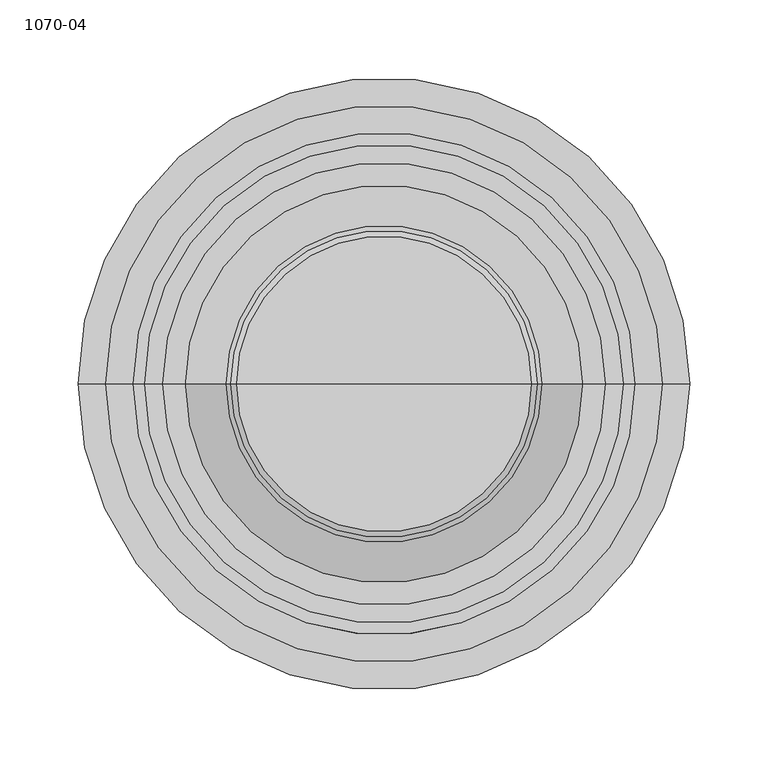
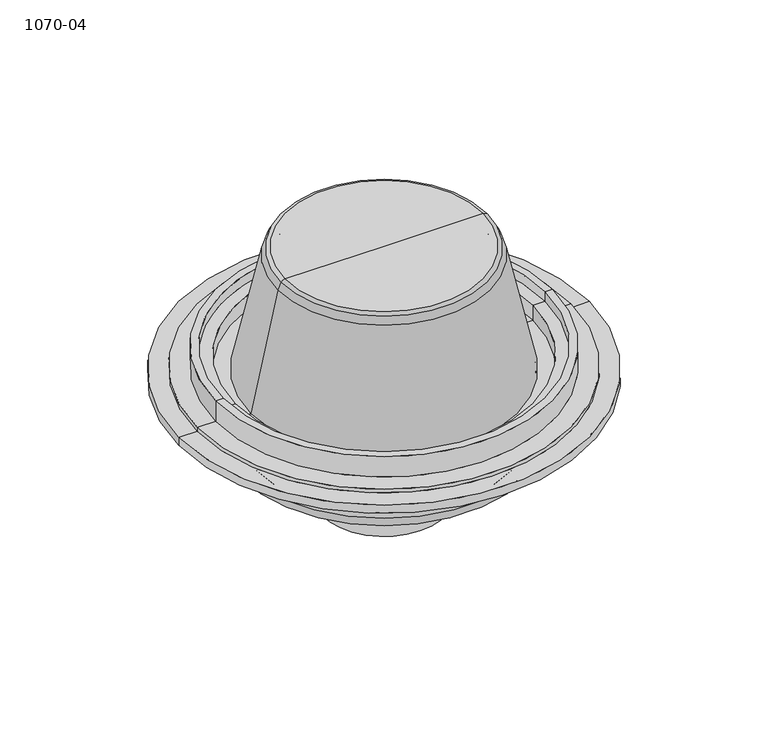
"""IFC4 building model written with IfcOpenShell, lengths in millimetres: flow terminal geometry, 1070-04."""

from ifc_helpers import new_model, si_unit, point, frame, origin, place, context, project, spatial, polyline, circle_curve, ellipse_curve, trimmed, source, transform, mapped, element, save
from ifc_brep_helpers import plane_surface, cylinder_surface, revolved_surface, advanced_brep


def flow_terminal_1070_04_8b8d475c(model_context):
    return source(origin(), model_context, "Body", "AdvancedBrep", [
        advanced_brep(
        [(-63.5, 0.0, -45.766311), (63.5, 0.0, -45.766311), (50.8, 0.0, -45.766311), (-50.8, 0.0, -45.766311), (-63.5, 0.0, 99.489939), (63.5, 0.0, 99.489939), (-50.8, 0.0, 99.489939), (50.8, 0.0, 99.489939)],
        [
            (0, 1, circle_curve(frame((0.0, 0.0, -45.766311), z_axis=(0.0, 0.0, -1.0), x_axis=(1.0, 0.0, 0.0)), 63.5)),
            (1, 2),
            (2, 3, circle_curve(frame((0.0, 0.0, -45.766311), z_axis=(0.0, 0.0, 1.0), x_axis=(1.0, 0.0, 0.0)), 50.8)),
            (3, 0),
            (1, 0, circle_curve(frame((0.0, 0.0, -45.766311), z_axis=(0.0, 0.0, -1.0), x_axis=(1.0, 0.0, 0.0)), 63.5)),
            (3, 2, circle_curve(frame((0.0, 0.0, -45.766311), z_axis=(0.0, 0.0, 1.0), x_axis=(1.0, 0.0, 0.0)), 50.8)),
            (4, 5, circle_curve(frame((0.0, 0.0, 99.489939), z_axis=(0.0, 0.0, -1.0), x_axis=(1.0, 0.0, 0.0)), 63.5)),
            (5, 1),
            (0, 4),
            (5, 4, circle_curve(frame((0.0, 0.0, 99.489939), z_axis=(0.0, 0.0, -1.0), x_axis=(1.0, 0.0, 0.0)), 63.5)),
            (6, 7, circle_curve(frame((0.0, 0.0, 99.489939), z_axis=(0.0, 0.0, -1.0), x_axis=(1.0, 0.0, 0.0)), 50.8)),
            (7, 5),
            (4, 6),
            (7, 6, circle_curve(frame((0.0, 0.0, 99.489939), z_axis=(0.0, 0.0, -1.0), x_axis=(1.0, 0.0, 0.0)), 50.8)),
            (2, 7),
            (6, 3),
        ],
        [
            plane_surface(frame((0.0, 0.0, -45.766311), z_axis=(0.0, 0.0, -1.0), x_axis=(1.0, 0.0, 0.0))),
            cylinder_surface(frame((0.0, 0.0, 232.839939), z_axis=(0.0, 0.0, 1.0), x_axis=(1.0, 0.0, 0.0)), 63.5),
            plane_surface(frame((0.0, 0.0, 99.489939), z_axis=(0.0, 0.0, 1.0), x_axis=(1.0, 0.0, 0.0))),
            revolved_surface(polyline([(50.8, 0.0, 99.48993900000002), (50.8, 0.0, -45.766311)]), (0.0, 0.0, 232.839939), (0.0, 0.0, 1.0)),
        ],
        [
            (0, [[1, 2, 3, 4]]),
            (0, [[5, -4, 6, -2]]),
            (1, [[7, 8, -1, 9]]),
            (1, [[10, -9, -5, -8]]),
            (2, [[11, 12, -7, 13]]),
            (2, [[14, -13, -10, -12]]),
            (3, [[-3, 15, -11, 16]]),
            (3, [[-6, -16, -14, -15]]),
        ],
    ),
        advanced_brep(
        [(-121.3454062, 0.0, 0.0), (121.3454062, 0.0, 0.0), (93.3479375, 0.0, 118.3749405), (-93.3479375, 0.0, 118.3749405), (-138.1184377, 0.0, 0.0), (138.1184377, 0.0, 0.0), (-138.1184377, 0.0, 4.5364863), (138.1184377, 0.0, 4.5364863), (-150.5227762, 0.0, 4.5364863), (150.5227762, 0.0, 4.5364863), (-150.5227762, 0.0, 8.2351562), (150.5227762, 0.0, 8.2351562), (-127.0213537, 0.0, 8.2351562), (127.0213537, 0.0, 8.2351562), (-101.1832922, 0.0, 123.5527626), (101.1832922, 0.0, 123.5527626), (-98.1099509, 0.0, 130.4578411), (98.1099509, 0.0, 130.4578411), (-94.4480963, 0.0, 132.3464439), (94.4480963, 0.0, 132.3464439), (0.0, 0.0, 132.3464439), (-80.9845635, 0.0, 128.170292), (80.9845635, 0.0, 128.170292), (0.0, 0.0, 128.170292)],
        [
            (0, 1, circle_curve(frame((0.0, 0.0, 0.0), z_axis=(0.0, 0.0, -1.0), x_axis=(1.0, 0.0, 0.0)), 121.3454062)),
            (1, 2),
            (2, 3, circle_curve(frame((0.0, 0.0, 118.3749405), z_axis=(0.0, 0.0, 1.0), x_axis=(1.0, 0.0, 0.0)), 93.3479375)),
            (3, 0),
            (1, 0, circle_curve(frame((0.0, 0.0, 0.0), z_axis=(0.0, 0.0, -1.0), x_axis=(1.0, 0.0, 0.0)), 121.3454062)),
            (3, 2, circle_curve(frame((0.0, 0.0, 118.3749405), z_axis=(0.0, 0.0, 1.0), x_axis=(1.0, 0.0, 0.0)), 93.3479375)),
            (4, 5, circle_curve(frame((0.0, 0.0, 0.0), z_axis=(0.0, 0.0, -1.0), x_axis=(1.0, 0.0, 0.0)), 138.1184377)),
            (5, 1),
            (0, 4),
            (5, 4, circle_curve(frame((0.0, 0.0, 0.0), z_axis=(0.0, 0.0, -1.0), x_axis=(1.0, 0.0, 0.0)), 138.1184377)),
            (6, 7, circle_curve(frame((0.0, 0.0, 4.5364863), z_axis=(0.0, 0.0, -1.0), x_axis=(1.0, 0.0, 0.0)), 138.1184377)),
            (7, 5),
            (4, 6),
            (7, 6, circle_curve(frame((0.0, 0.0, 4.5364863), z_axis=(0.0, 0.0, -1.0), x_axis=(1.0, 0.0, 0.0)), 138.1184377)),
            (8, 9, circle_curve(frame((0.0, 0.0, 4.5364863), z_axis=(0.0, 0.0, -1.0), x_axis=(1.0, 0.0, 0.0)), 150.5227762)),
            (9, 7),
            (6, 8),
            (9, 8, circle_curve(frame((0.0, 0.0, 4.5364863), z_axis=(0.0, 0.0, -1.0), x_axis=(1.0, 0.0, 0.0)), 150.5227762)),
            (10, 11, circle_curve(frame((0.0, 0.0, 8.2351562), z_axis=(0.0, 0.0, -1.0), x_axis=(1.0, 0.0, 0.0)), 150.5227762)),
            (11, 9),
            (8, 10),
            (11, 10, circle_curve(frame((0.0, 0.0, 8.2351562), z_axis=(0.0, 0.0, -1.0), x_axis=(1.0, 0.0, 0.0)), 150.5227762)),
            (12, 13, circle_curve(frame((0.0, 0.0, 8.2351562), z_axis=(0.0, 0.0, -1.0), x_axis=(1.0, 0.0, 0.0)), 127.0213537)),
            (13, 11),
            (10, 12),
            (13, 12, circle_curve(frame((0.0, 0.0, 8.2351562), z_axis=(0.0, 0.0, -1.0), x_axis=(1.0, 0.0, 0.0)), 127.0213537)),
            (14, 15, circle_curve(frame((0.0, 0.0, 123.5527626), z_axis=(0.0, 0.0, -1.0), x_axis=(1.0, 0.0, 0.0)), 101.1832922)),
            (15, 13),
            (12, 14),
            (15, 14, circle_curve(frame((0.0, 0.0, 123.5527626), z_axis=(0.0, 0.0, -1.0), x_axis=(1.0, 0.0, 0.0)), 101.1832922)),
            (16, 17, circle_curve(frame((0.0, 0.0, 130.4578411), z_axis=(0.0, 0.0, -1.0), x_axis=(1.0, 0.0, 0.0)), 98.1099509)),
            (17, 15, circle_curve(frame((82.5885347, 0.0, 119.4130169), z_axis=(0.0, 1.0, 0.0), x_axis=(1.0, 0.0, 0.0)), 19.05)),
            (14, 16, circle_curve(frame((-82.5885347, 0.0, 119.4130169), z_axis=(0.0, 1.0, 0.0), x_axis=(-1.0, 0.0, 0.0)), 19.05)),
            (17, 16, circle_curve(frame((0.0, 0.0, 130.4578411), z_axis=(0.0, 0.0, -1.0), x_axis=(1.0, 0.0, 0.0)), 98.1099509)),
            (18, 19, circle_curve(frame((0.0, 0.0, 132.3464439), z_axis=(0.0, 0.0, -1.0), x_axis=(1.0, 0.0, 0.0)), 94.4480963)),
            (19, 17, circle_curve(frame((94.4480963, 0.0, 127.8521162), z_axis=(0.0, 1.0, 0.0), x_axis=(1.0, 0.0, 0.0)), 4.4943277)),
            (16, 18, circle_curve(frame((-94.4480963, 0.0, 127.8521162), z_axis=(0.0, 1.0, 0.0), x_axis=(-1.0, 0.0, 0.0)), 4.4943277)),
            (19, 18, circle_curve(frame((0.0, 0.0, 132.3464439), z_axis=(0.0, 0.0, -1.0), x_axis=(1.0, 0.0, 0.0)), 94.4480963)),
            (20, 19),
            (18, 20),
            (21, 22, circle_curve(frame((0.0, 0.0, 128.170292), z_axis=(0.0, 0.0, -1.0), x_axis=(1.0, 0.0, 0.0)), 80.9845635)),
            (22, 23),
            (23, 21),
            (22, 21, circle_curve(frame((0.0, 0.0, 128.170292), z_axis=(0.0, 0.0, -1.0), x_axis=(1.0, 0.0, 0.0)), 80.9845635)),
            (2, 22, circle_curve(frame((80.9845635, 0.0, 115.470292), z_axis=(0.0, -1.0, 0.0), x_axis=(1.0, 0.0, 0.0)), 12.7)),
            (21, 3, circle_curve(frame((-80.9845635, 0.0, 115.470292), z_axis=(0.0, -1.0, 0.0), x_axis=(-1.0, 0.0, 0.0)), 12.7)),
        ],
        [
            revolved_surface(polyline([(93.3479375, 0.0, 118.3749405), (121.3454062, 0.0, 0.0)]), (0.0, 0.0, 140.7914062), (0.0, 0.0, 1.0)),
            plane_surface(frame((0.0, 0.0, 0.0), z_axis=(0.0, 0.0, -1.0), x_axis=(1.0, 0.0, 0.0))),
            cylinder_surface(frame((0.0, 0.0, 140.7914062), z_axis=(0.0, 0.0, 1.0), x_axis=(1.0, 0.0, 0.0)), 138.1184377),
            plane_surface(frame((0.0, 0.0, 4.5364863), z_axis=(0.0, 0.0, -1.0), x_axis=(1.0, 0.0, 0.0))),
            cylinder_surface(frame((0.0, 0.0, 140.7914062), z_axis=(0.0, 0.0, 1.0), x_axis=(1.0, 0.0, 0.0)), 150.5227762),
            plane_surface(frame((0.0, 0.0, 8.2351562), z_axis=(0.0, 0.0, 1.0), x_axis=(1.0, 0.0, 0.0))),
            revolved_surface(polyline([(127.0213537, 0.0, 8.2351562), (101.1832922, 0.0, 123.5527626)]), (0.0, 0.0, 140.7914062), (0.0, 0.0, 1.0)),
            revolved_surface(trimmed(ellipse_curve(frame((82.5885347, 0.0, 119.4130169), z_axis=(0.0, -1.0, 0.0), x_axis=(1.0, 0.0, 0.0)), 19.05, 19.05), [point((101.1832922, 0.0, 123.5527626))], [point((98.1099509, 0.0, 130.4578411))], True, "CARTESIAN"), (0.0, 0.0, 140.7914062), (0.0, 0.0, 1.0)),
            revolved_surface(trimmed(ellipse_curve(frame((94.4480963, 0.0, 127.8521162), z_axis=(0.0, -1.0, 0.0), x_axis=(1.0, 0.0, 0.0)), 4.4943277, 4.4943277), [point((98.1099509, 0.0, 130.4578411))], [point((94.4480963, 0.0, 132.3464439))], True, "CARTESIAN"), (0.0, 0.0, 140.7914062), (0.0, 0.0, 1.0)),
            plane_surface(frame((0.0, 0.0, 132.3464439), z_axis=(0.0, 0.0, 1.0), x_axis=(1.0, 0.0, 0.0))),
            plane_surface(frame((0.0, 0.0, 128.170292), z_axis=(0.0, 0.0, -1.0), x_axis=(1.0, 0.0, 0.0))),
            revolved_surface(trimmed(ellipse_curve(frame((80.9845635, 0.0, 115.470292), z_axis=(0.0, 1.0, 0.0), x_axis=(1.0, 0.0, 0.0)), 12.7, 12.7), [point((80.9845635, 0.0, 128.170292))], [point((93.3479375, 0.0, 118.3749405))], True, "CARTESIAN"), (0.0, 0.0, 140.7914062), (0.0, 0.0, 1.0)),
        ],
        [
            (0, [[1, 2, 3, 4]]),
            (0, [[5, -4, 6, -2]]),
            (1, [[7, 8, -1, 9]]),
            (1, [[10, -9, -5, -8]]),
            (2, [[11, 12, -7, 13]]),
            (2, [[14, -13, -10, -12]]),
            (3, [[15, 16, -11, 17]]),
            (3, [[18, -17, -14, -16]]),
            (4, [[19, 20, -15, 21]]),
            (4, [[22, -21, -18, -20]]),
            (5, [[23, 24, -19, 25]]),
            (5, [[26, -25, -22, -24]]),
            (6, [[27, 28, -23, 29]]),
            (6, [[30, -29, -26, -28]]),
            (7, [[31, 32, -27, 33]]),
            (7, [[34, -33, -30, -32]]),
            (8, [[35, 36, -31, 37]]),
            (8, [[38, -37, -34, -36]]),
            (9, [[39, -35, 40]]),
            (9, [[-40, -38, -39]]),
            (10, [[41, 42, 43]]),
            (10, [[44, -43, -42]]),
            (11, [[-3, 45, -41, 46]]),
            (11, [[-6, -46, -44, -45]]),
        ],
    ),
        advanced_brep(
        [(50.8, 0.0, -118.7648438), (-50.8, 0.0, -118.7648438), (-58.8614576, 0.0, -118.7648438), (58.8614576, 0.0, -118.7648438), (50.8, 0.0, -62.2461254), (-50.8, 0.0, -62.2461254), (103.5225847, 0.0, -62.2461254), (-103.5225847, 0.0, -62.2461254), (109.4978559, 0.0, -58.0683049), (-109.4978559, 0.0, -58.0683049), (115.7776841, 0.0, -52.6348919), (-115.7776841, 0.0, -52.6348919), (117.3970384, 0.0, -52.6348919), (-117.3970384, 0.0, -52.6348919), (123.1699178, 0.0, -47.0095068), (-123.1699178, 0.0, -47.0095068), (125.2576915, 0.0, -47.0095068), (-125.2576915, 0.0, -47.0095068), (125.2652915, 0.0, 8.2351562), (-125.2652915, 0.0, 8.2351562), (141.544819, 0.0, 8.2351562), (-141.544819, 0.0, 8.2351562), (141.544819, 0.0, 23.1345934), (-141.544819, 0.0, 23.1345934), (153.1241481, 0.0, 23.1345934), (-153.1241481, 0.0, 23.1345934), (153.1241481, 0.0, 32.5946338), (-153.1241481, 0.0, 32.5946338), (160.2516349, 0.0, 32.5946338), (-160.2516349, 0.0, 32.5946338), (160.2516349, 0.0, 12.0091598), (-160.2516349, 0.0, 12.0091598), (177.8266736, 0.0, 12.0091598), (-177.8266736, 0.0, 12.0091598), (177.8266736, 0.0, 8.2351562), (-177.8266736, 0.0, 8.2351562), (195.2617977, 0.0, 8.2351562), (-195.2617977, 0.0, 8.2351562), (195.2617977, 0.0, 0.0009667), (-195.2617977, 0.0, 0.0009667), (145.6987606, 0.0, -16.9668144), (-145.6987606, 0.0, -16.9668144), (141.805424, 0.0, -42.3657216), (-141.805424, 0.0, -42.3657216), (122.2863709, 0.0, -59.1207355), (-122.2863709, 0.0, -59.1207355), (118.0610739, 0.0, -59.1207355), (-118.0610739, 0.0, -59.1207355), (114.1167438, 0.0, -63.0650656), (-114.1167438, 0.0, -63.0650656), (114.1167438, 0.0, -64.3711218), (-114.1167438, 0.0, -64.3711218), (107.7667438, 0.0, -70.7211218), (-107.7667438, 0.0, -70.7211218), (58.8614576, 0.0, -70.7211218), (-58.8614576, 0.0, -70.7211218)],
        [
            (0, 1, circle_curve(frame((0.0, 0.0, -118.7648438), z_axis=(0.0, 0.0, 1.0), x_axis=(-1.0, 0.0, 0.0)), 50.8)),
            (1, 2),
            (2, 3, circle_curve(frame((0.0, 0.0, -118.7648438), z_axis=(0.0, 0.0, -1.0), x_axis=(-1.0, 0.0, 0.0)), 58.8614576)),
            (3, 0),
            (1, 0, circle_curve(frame((0.0, 0.0, -118.7648438), z_axis=(0.0, 0.0, 1.0), x_axis=(-1.0, 0.0, 0.0)), 50.8)),
            (3, 2, circle_curve(frame((0.0, 0.0, -118.7648438), z_axis=(0.0, 0.0, -1.0), x_axis=(-1.0, 0.0, 0.0)), 58.8614576)),
            (4, 5, circle_curve(frame((0.0, 0.0, -62.2461254), z_axis=(0.0, 0.0, 1.0), x_axis=(-1.0, 0.0, 0.0)), 50.8)),
            (5, 1),
            (0, 4),
            (5, 4, circle_curve(frame((0.0, 0.0, -62.2461254), z_axis=(0.0, 0.0, 1.0), x_axis=(-1.0, 0.0, 0.0)), 50.8)),
            (6, 7, circle_curve(frame((0.0, 0.0, -62.2461254), z_axis=(0.0, 0.0, 1.0), x_axis=(-1.0, 0.0, 0.0)), 103.5225847)),
            (7, 5),
            (4, 6),
            (7, 6, circle_curve(frame((0.0, 0.0, -62.2461254), z_axis=(0.0, 0.0, 1.0), x_axis=(-1.0, 0.0, 0.0)), 103.5225847)),
            (8, 9, circle_curve(frame((0.0, 0.0, -58.0683049), z_axis=(0.0, 0.0, 1.0), x_axis=(-1.0, 0.0, 0.0)), 109.4978559)),
            (9, 7, circle_curve(frame((-104.0321184, 0.0, -56.6129435), z_axis=(0.0, -1.0, 0.0), x_axis=(1.0, 0.0, 0.0)), 5.6561792)),
            (6, 8, circle_curve(frame((104.0321184, 0.0, -56.6129435), z_axis=(0.0, -1.0, 0.0), x_axis=(-1.0, 0.0, 0.0)), 5.6561792)),
            (9, 8, circle_curve(frame((0.0, 0.0, -58.0683049), z_axis=(0.0, 0.0, 1.0), x_axis=(-1.0, 0.0, 0.0)), 109.4978559)),
            (10, 11, circle_curve(frame((0.0, 0.0, -52.6348919), z_axis=(0.0, 0.0, 1.0), x_axis=(-1.0, 0.0, 0.0)), 115.7776841)),
            (11, 9, circle_curve(frame((-115.4369739, 0.0, -58.5868614), z_axis=(0.0, 1.0, 0.0), x_axis=(1.0, 0.0, 0.0)), 5.9617131)),
            (8, 10, circle_curve(frame((115.4369739, 0.0, -58.5868614), z_axis=(0.0, 1.0, 0.0), x_axis=(-1.0, 0.0, 0.0)), 5.9617131)),
            (11, 10, circle_curve(frame((0.0, 0.0, -52.6348919), z_axis=(0.0, 0.0, 1.0), x_axis=(-1.0, 0.0, 0.0)), 115.7776841)),
            (12, 13, circle_curve(frame((0.0, 0.0, -52.6348919), z_axis=(0.0, 0.0, 1.0), x_axis=(-1.0, 0.0, 0.0)), 117.3970384)),
            (13, 11),
            (10, 12),
            (13, 12, circle_curve(frame((0.0, 0.0, -52.6348919), z_axis=(0.0, 0.0, 1.0), x_axis=(-1.0, 0.0, 0.0)), 117.3970384)),
            (14, 15, circle_curve(frame((0.0, 0.0, -47.0095068), z_axis=(0.0, 0.0, 1.0), x_axis=(-1.0, 0.0, 0.0)), 123.1699178)),
            (15, 13, circle_curve(frame((-117.3970384, 0.0, -46.8600789), z_axis=(0.0, -1.0, 0.0), x_axis=(1.0, 0.0, 0.0)), 5.774813)),
            (12, 14, circle_curve(frame((117.3970384, 0.0, -46.8600789), z_axis=(0.0, -1.0, 0.0), x_axis=(-1.0, 0.0, 0.0)), 5.774813)),
            (15, 14, circle_curve(frame((0.0, 0.0, -47.0095068), z_axis=(0.0, 0.0, 1.0), x_axis=(-1.0, 0.0, 0.0)), 123.1699178)),
            (16, 17, circle_curve(frame((0.0, 0.0, -47.0095068), z_axis=(0.0, 0.0, 1.0), x_axis=(-1.0, 0.0, 0.0)), 125.2576915)),
            (17, 15),
            (14, 16),
            (17, 16, circle_curve(frame((0.0, 0.0, -47.0095068), z_axis=(0.0, 0.0, 1.0), x_axis=(-1.0, 0.0, 0.0)), 125.2576915)),
            (18, 19, circle_curve(frame((0.0, 0.0, 8.2351562), z_axis=(0.0, 0.0, 1.0), x_axis=(-1.0, 0.0, 0.0)), 125.2652915)),
            (19, 17),
            (16, 18),
            (19, 18, circle_curve(frame((0.0, 0.0, 8.2351562), z_axis=(0.0, 0.0, 1.0), x_axis=(-1.0, 0.0, 0.0)), 125.2652915)),
            (20, 21, circle_curve(frame((0.0, 0.0, 8.2351562), z_axis=(0.0, 0.0, 1.0), x_axis=(-1.0, 0.0, 0.0)), 141.544819)),
            (21, 19),
            (18, 20),
            (21, 20, circle_curve(frame((0.0, 0.0, 8.2351562), z_axis=(0.0, 0.0, 1.0), x_axis=(-1.0, 0.0, 0.0)), 141.544819)),
            (22, 23, circle_curve(frame((0.0, 0.0, 23.1345934), z_axis=(0.0, 0.0, 1.0), x_axis=(-1.0, 0.0, 0.0)), 141.544819)),
            (23, 21),
            (20, 22),
            (23, 22, circle_curve(frame((0.0, 0.0, 23.1345934), z_axis=(0.0, 0.0, 1.0), x_axis=(-1.0, 0.0, 0.0)), 141.544819)),
            (24, 25, circle_curve(frame((0.0, 0.0, 23.1345934), z_axis=(0.0, 0.0, 1.0), x_axis=(-1.0, 0.0, 0.0)), 153.1241481)),
            (25, 23),
            (22, 24),
            (25, 24, circle_curve(frame((0.0, 0.0, 23.1345934), z_axis=(0.0, 0.0, 1.0), x_axis=(-1.0, 0.0, 0.0)), 153.1241481)),
            (26, 27, circle_curve(frame((0.0, 0.0, 32.5946338), z_axis=(0.0, 0.0, 1.0), x_axis=(-1.0, 0.0, 0.0)), 153.1241481)),
            (27, 25),
            (24, 26),
            (27, 26, circle_curve(frame((0.0, 0.0, 32.5946338), z_axis=(0.0, 0.0, 1.0), x_axis=(-1.0, 0.0, 0.0)), 153.1241481)),
            (28, 29, circle_curve(frame((0.0, 0.0, 32.5946338), z_axis=(0.0, 0.0, 1.0), x_axis=(-1.0, 0.0, 0.0)), 160.2516349)),
            (29, 27),
            (26, 28),
            (29, 28, circle_curve(frame((0.0, 0.0, 32.5946338), z_axis=(0.0, 0.0, 1.0), x_axis=(-1.0, 0.0, 0.0)), 160.2516349)),
            (30, 31, circle_curve(frame((0.0, 0.0, 12.0091598), z_axis=(0.0, 0.0, 1.0), x_axis=(-1.0, 0.0, 0.0)), 160.2516349)),
            (31, 29),
            (28, 30),
            (31, 30, circle_curve(frame((0.0, 0.0, 12.0091598), z_axis=(0.0, 0.0, 1.0), x_axis=(-1.0, 0.0, 0.0)), 160.2516349)),
            (32, 33, circle_curve(frame((0.0, 0.0, 12.0091598), z_axis=(0.0, 0.0, 1.0), x_axis=(-1.0, 0.0, 0.0)), 177.8266736)),
            (33, 31),
            (30, 32),
            (33, 32, circle_curve(frame((0.0, 0.0, 12.0091598), z_axis=(0.0, 0.0, 1.0), x_axis=(-1.0, 0.0, 0.0)), 177.8266736)),
            (34, 35, circle_curve(frame((0.0, 0.0, 8.2351562), z_axis=(0.0, 0.0, 1.0), x_axis=(-1.0, 0.0, 0.0)), 177.8266736)),
            (35, 33),
            (32, 34),
            (35, 34, circle_curve(frame((0.0, 0.0, 8.2351562), z_axis=(0.0, 0.0, 1.0), x_axis=(-1.0, 0.0, 0.0)), 177.8266736)),
            (36, 37, circle_curve(frame((0.0, 0.0, 8.2351562), z_axis=(0.0, 0.0, 1.0), x_axis=(-1.0, 0.0, 0.0)), 195.2617977)),
            (37, 35),
            (34, 36),
            (37, 36, circle_curve(frame((0.0, 0.0, 8.2351562), z_axis=(0.0, 0.0, 1.0), x_axis=(-1.0, 0.0, 0.0)), 195.2617977)),
            (38, 39, circle_curve(frame((0.0, 0.0, 0.0009667), z_axis=(0.0, 0.0, 1.0), x_axis=(-1.0, 0.0, 0.0)), 195.2617977)),
            (39, 37),
            (36, 38),
            (39, 38, circle_curve(frame((0.0, 0.0, 0.0009667), z_axis=(0.0, 0.0, 1.0), x_axis=(-1.0, 0.0, 0.0)), 195.2617977)),
            (40, 41, circle_curve(frame((0.0, 0.0, -16.9668144), z_axis=(0.0, 0.0, 1.0), x_axis=(-1.0, 0.0, 0.0)), 145.6987606)),
            (41, 39),
            (38, 40),
            (41, 40, circle_curve(frame((0.0, 0.0, -16.9668144), z_axis=(0.0, 0.0, 1.0), x_axis=(-1.0, 0.0, 0.0)), 145.6987606)),
            (42, 43, circle_curve(frame((0.0, 0.0, -42.3657216), z_axis=(0.0, 0.0, 1.0), x_axis=(-1.0, 0.0, 0.0)), 141.805424)),
            (43, 41),
            (40, 42),
            (43, 42, circle_curve(frame((0.0, 0.0, -42.3657216), z_axis=(0.0, 0.0, 1.0), x_axis=(-1.0, 0.0, 0.0)), 141.805424)),
            (44, 45, circle_curve(frame((0.0, 0.0, -59.1207355), z_axis=(0.0, 0.0, 1.0), x_axis=(-1.0, 0.0, 0.0)), 122.2863709)),
            (45, 43, circle_curve(frame((-122.2863709, 0.0, -39.3736936), z_axis=(0.0, 1.0, 0.0), x_axis=(1.0, 0.0, 0.0)), 19.7470419)),
            (42, 44, circle_curve(frame((122.2863709, 0.0, -39.3736936), z_axis=(0.0, 1.0, 0.0), x_axis=(-1.0, 0.0, 0.0)), 19.7470419)),
            (45, 44, circle_curve(frame((0.0, 0.0, -59.1207355), z_axis=(0.0, 0.0, 1.0), x_axis=(-1.0, 0.0, 0.0)), 122.2863709)),
            (46, 47, circle_curve(frame((0.0, 0.0, -59.1207355), z_axis=(0.0, 0.0, 1.0), x_axis=(-1.0, 0.0, 0.0)), 118.0610739)),
            (47, 45),
            (44, 46),
            (47, 46, circle_curve(frame((0.0, 0.0, -59.1207355), z_axis=(0.0, 0.0, 1.0), x_axis=(-1.0, 0.0, 0.0)), 118.0610739)),
            (48, 49, circle_curve(frame((0.0, 0.0, -63.0650656), z_axis=(0.0, 0.0, 1.0), x_axis=(-1.0, 0.0, 0.0)), 114.1167438)),
            (49, 47, circle_curve(frame((-118.0610739, 0.0, -63.0650656), z_axis=(0.0, -1.0, 0.0), x_axis=(1.0, 0.0, 0.0)), 3.9443301)),
            (46, 48, circle_curve(frame((118.0610739, 0.0, -63.0650656), z_axis=(0.0, -1.0, 0.0), x_axis=(-1.0, 0.0, 0.0)), 3.9443301)),
            (49, 48, circle_curve(frame((0.0, 0.0, -63.0650656), z_axis=(0.0, 0.0, 1.0), x_axis=(-1.0, 0.0, 0.0)), 114.1167438)),
            (50, 51, circle_curve(frame((0.0, 0.0, -64.3711218), z_axis=(0.0, 0.0, 1.0), x_axis=(-1.0, 0.0, 0.0)), 114.1167438)),
            (51, 49),
            (48, 50),
            (51, 50, circle_curve(frame((0.0, 0.0, -64.3711218), z_axis=(0.0, 0.0, 1.0), x_axis=(-1.0, 0.0, 0.0)), 114.1167438)),
            (52, 53, circle_curve(frame((0.0, 0.0, -70.7211218), z_axis=(0.0, 0.0, 1.0), x_axis=(-1.0, 0.0, 0.0)), 107.7667438)),
            (53, 51, circle_curve(frame((-107.7667438, 0.0, -64.3711218), z_axis=(0.0, 1.0, 0.0), x_axis=(1.0, 0.0, 0.0)), 6.35)),
            (50, 52, circle_curve(frame((107.7667438, 0.0, -64.3711218), z_axis=(0.0, 1.0, 0.0), x_axis=(-1.0, 0.0, 0.0)), 6.35)),
            (53, 52, circle_curve(frame((0.0, 0.0, -70.7211218), z_axis=(0.0, 0.0, 1.0), x_axis=(-1.0, 0.0, 0.0)), 107.7667438)),
            (54, 55, circle_curve(frame((0.0, 0.0, -70.7211218), z_axis=(0.0, 0.0, 1.0), x_axis=(-1.0, 0.0, 0.0)), 58.8614576)),
            (55, 53),
            (52, 54),
            (55, 54, circle_curve(frame((0.0, 0.0, -70.7211218), z_axis=(0.0, 0.0, 1.0), x_axis=(-1.0, 0.0, 0.0)), 58.8614576)),
            (2, 55),
            (54, 3),
        ],
        [
            plane_surface(frame((0.0, 0.0, -118.7648438), z_axis=(0.0, 0.0, -1.0), x_axis=(-1.0, 0.0, 0.0))),
            revolved_surface(polyline([(-50.8, 0.0, -118.76484380000011), (-50.8, 0.0, -62.24612539999998)]), (0.0, 0.0, -1283.4378164), (0.0, 0.0, -1.0)),
            plane_surface(frame((0.0, 0.0, -62.2461254), z_axis=(0.0, 0.0, 1.0), x_axis=(-1.0, 0.0, 0.0))),
            revolved_surface(trimmed(ellipse_curve(frame((-104.0321184, 0.0, -56.6129435), z_axis=(0.0, 1.0, 0.0), x_axis=(1.0, 0.0, 0.0)), 5.6561792, 5.6561792), [point((-103.5225847, 0.0, -62.2461254))], [point((-109.4978559, 0.0, -58.0683049))], True, "CARTESIAN"), (0.0, 0.0, -1283.4378164), (0.0, 0.0, -1.0)),
            revolved_surface(trimmed(ellipse_curve(frame((-115.4369739, 0.0, -58.5868614), z_axis=(0.0, -1.0, 0.0), x_axis=(1.0, 0.0, 0.0)), 5.9617131, 5.9617131), [point((-109.4978559, 0.0, -58.0683049))], [point((-115.7776841, 0.0, -52.6348919))], True, "CARTESIAN"), (0.0, 0.0, -1283.4378164), (0.0, 0.0, -1.0)),
            plane_surface(frame((0.0, 0.0, -52.6348919), z_axis=(0.0, 0.0, 1.0), x_axis=(-1.0, 0.0, 0.0))),
            revolved_surface(trimmed(ellipse_curve(frame((-117.3970384, 0.0, -46.8600789), z_axis=(0.0, 1.0, 0.0), x_axis=(1.0, 0.0, 0.0)), 5.774813, 5.774813), [point((-117.3970384, 0.0, -52.6348919))], [point((-123.1699178, 0.0, -47.0095068))], True, "CARTESIAN"), (0.0, 0.0, -1283.4378164), (0.0, 0.0, -1.0)),
            plane_surface(frame((0.0, 0.0, -47.0095068), z_axis=(0.0, 0.0, 1.0), x_axis=(-1.0, 0.0, 0.0))),
            revolved_surface(polyline([(-125.2652915, 0.0, -47.009506800000054), (-125.2652915, 0.0, 8.235156199999892)]), (0.0, 0.0, -1283.4378164), (0.0, 0.0, -1.0)),
            plane_surface(frame((0.0, 0.0, 8.2351562), z_axis=(0.0, 0.0, 1.0), x_axis=(-1.0, 0.0, 0.0))),
            revolved_surface(polyline([(-141.544819, 0.0, 8.235156199999892), (-141.544819, 0.0, 23.134593400000085)]), (0.0, 0.0, -1283.4378164), (0.0, 0.0, -1.0)),
            plane_surface(frame((0.0, 0.0, 23.1345934), z_axis=(0.0, 0.0, 1.0), x_axis=(-1.0, 0.0, 0.0))),
            revolved_surface(polyline([(-153.1241481, 0.0, 23.134593400000085), (-153.1241481, 0.0, 32.59463379999988)]), (0.0, 0.0, -1283.4378164), (0.0, 0.0, -1.0)),
            plane_surface(frame((0.0, 0.0, 32.5946338), z_axis=(0.0, 0.0, 1.0), x_axis=(-1.0, 0.0, 0.0))),
            cylinder_surface(frame((0.0, 0.0, -1283.4378164), z_axis=(0.0, 0.0, -1.0), x_axis=(-1.0, 0.0, 0.0)), 160.2516349),
            plane_surface(frame((0.0, 0.0, 12.0091598), z_axis=(0.0, 0.0, 1.0), x_axis=(-1.0, 0.0, 0.0))),
            cylinder_surface(frame((0.0, 0.0, -1283.4378164), z_axis=(0.0, 0.0, -1.0), x_axis=(-1.0, 0.0, 0.0)), 177.8266736),
            cylinder_surface(frame((0.0, 0.0, -1283.4378164), z_axis=(0.0, 0.0, -1.0), x_axis=(-1.0, 0.0, 0.0)), 195.2617977),
            revolved_surface(polyline([(-195.2617977, 0.0, 0.0009667), (-145.6987606, 0.0, -16.9668144)]), (0.0, 0.0, -1283.4378164), (0.0, 0.0, -1.0)),
            revolved_surface(polyline([(-145.6987606, 0.0, -16.9668144), (-141.805424, 0.0, -42.3657216)]), (0.0, 0.0, -1283.4378164), (0.0, 0.0, -1.0)),
            revolved_surface(trimmed(ellipse_curve(frame((-122.2863709, 0.0, -39.3736936), z_axis=(0.0, -1.0, 0.0), x_axis=(1.0, 0.0, 0.0)), 19.7470419, 19.7470419), [point((-141.805424, 0.0, -42.3657216))], [point((-122.2863709, 0.0, -59.1207355))], True, "CARTESIAN"), (0.0, 0.0, -1283.4378164), (0.0, 0.0, -1.0)),
            plane_surface(frame((0.0, 0.0, -59.1207355), z_axis=(0.0, 0.0, -1.0), x_axis=(-1.0, 0.0, 0.0))),
            revolved_surface(trimmed(ellipse_curve(frame((-118.0610739, 0.0, -63.0650656), z_axis=(0.0, 1.0, 0.0), x_axis=(1.0, 0.0, 0.0)), 3.9443301, 3.9443301), [point((-118.0610739, 0.0, -59.1207355))], [point((-114.1167438, 0.0, -63.0650656))], True, "CARTESIAN"), (0.0, 0.0, -1283.4378164), (0.0, 0.0, -1.0)),
            cylinder_surface(frame((0.0, 0.0, -1283.4378164), z_axis=(0.0, 0.0, -1.0), x_axis=(-1.0, 0.0, 0.0)), 114.1167438),
            revolved_surface(trimmed(ellipse_curve(frame((-107.7667438, 0.0, -64.3711218), z_axis=(0.0, -1.0, 0.0), x_axis=(1.0, 0.0, 0.0)), 6.35, 6.35), [point((-114.1167438, 0.0, -64.3711218))], [point((-107.7667438, 0.0, -70.7211218))], True, "CARTESIAN"), (0.0, 0.0, -1283.4378164), (0.0, 0.0, -1.0)),
            plane_surface(frame((0.0, 0.0, -70.7211218), z_axis=(0.0, 0.0, -1.0), x_axis=(-1.0, 0.0, 0.0))),
            cylinder_surface(frame((0.0, 0.0, -1283.4378164), z_axis=(0.0, 0.0, -1.0), x_axis=(-1.0, 0.0, 0.0)), 58.8614576),
        ],
        [
            (0, [[1, 2, 3, 4]]),
            (0, [[5, -4, 6, -2]]),
            (1, [[7, 8, -1, 9]]),
            (1, [[10, -9, -5, -8]]),
            (2, [[11, 12, -7, 13]]),
            (2, [[14, -13, -10, -12]]),
            (3, [[15, 16, -11, 17]]),
            (3, [[18, -17, -14, -16]]),
            (4, [[19, 20, -15, 21]]),
            (4, [[22, -21, -18, -20]]),
            (5, [[23, 24, -19, 25]]),
            (5, [[26, -25, -22, -24]]),
            (6, [[27, 28, -23, 29]]),
            (6, [[30, -29, -26, -28]]),
            (7, [[31, 32, -27, 33]]),
            (7, [[34, -33, -30, -32]]),
            (8, [[35, 36, -31, 37]]),
            (8, [[38, -37, -34, -36]]),
            (9, [[39, 40, -35, 41]]),
            (9, [[42, -41, -38, -40]]),
            (10, [[43, 44, -39, 45]]),
            (10, [[46, -45, -42, -44]]),
            (11, [[47, 48, -43, 49]]),
            (11, [[50, -49, -46, -48]]),
            (12, [[51, 52, -47, 53]]),
            (12, [[54, -53, -50, -52]]),
            (13, [[55, 56, -51, 57]]),
            (13, [[58, -57, -54, -56]]),
            (14, [[59, 60, -55, 61]]),
            (14, [[62, -61, -58, -60]]),
            (15, [[63, 64, -59, 65]]),
            (15, [[66, -65, -62, -64]]),
            (16, [[67, 68, -63, 69]]),
            (16, [[70, -69, -66, -68]]),
            (9, [[71, 72, -67, 73]]),
            (9, [[74, -73, -70, -72]]),
            (17, [[75, 76, -71, 77]]),
            (17, [[78, -77, -74, -76]]),
            (18, [[79, 80, -75, 81]]),
            (18, [[82, -81, -78, -80]]),
            (19, [[83, 84, -79, 85]]),
            (19, [[86, -85, -82, -84]]),
            (20, [[87, 88, -83, 89]]),
            (20, [[90, -89, -86, -88]]),
            (21, [[91, 92, -87, 93]]),
            (21, [[94, -93, -90, -92]]),
            (22, [[95, 96, -91, 97]]),
            (22, [[98, -97, -94, -96]]),
            (23, [[99, 100, -95, 101]]),
            (23, [[102, -101, -98, -100]]),
            (24, [[103, 104, -99, 105]]),
            (24, [[106, -105, -102, -104]]),
            (25, [[107, 108, -103, 109]]),
            (25, [[110, -109, -106, -108]]),
            (26, [[-3, 111, -107, 112]]),
            (26, [[-6, -112, -110, -111]]),
        ],
    ),
    ])


if __name__ == "__main__":
    model = new_model("IFC4")
    model_context = context("Model", 3, world=origin())
    ifc_project = project(units=[si_unit("LENGTHUNIT", "METRE", prefix="MILLI")], contexts=[model_context])
    site = spatial("IfcSite", under=ifc_project)
    building = spatial("IfcBuilding", under=site)
    placement = place(None, origin())
    flow_terminal_1070_04_shape = flow_terminal_1070_04_8b8d475c(model_context)
    element("IfcFlowTerminal", 1, ObjectType="1070-04", at=placement, inside=building, context=model_context, shape_type="MappedRepresentation", body=[
        mapped(flow_terminal_1070_04_shape, transform((0.0, 0.0, 0.0), x_axis=(1.0, 0.0, 0.0), y_axis=(0.0, 1.0, 0.0), z_axis=(0.0, 0.0, 1.0))),
    ])
    save(model, "model.ifc")
